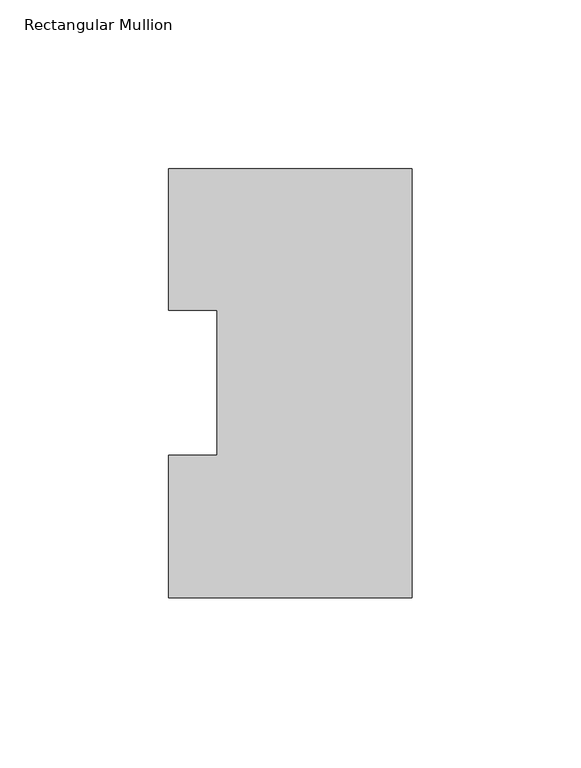
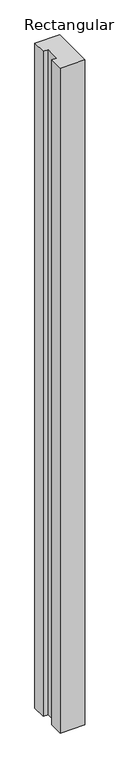
"""IFC4 building model written with IfcOpenShell, lengths in millimetres: member geometry, Rectangular Mullion."""

import ifcopenshell
import ifcopenshell.guid

model = None  # the IFC model being written
_history = None  # IfcOwnerHistory: only IFC2X3 demands one
_inside = {}  # id of a spatial element -> (the spatial element, [elements in it])
_under = {}  # id of a project, library or spatial element -> (it, [spatial elements below it])
_declared = {}  # id of a project -> (the project, [libraries it declares])
_typed = {}  # id of a type object -> (the type object, [elements of that type])
_made_of = {}  # id of a material, layer set ... -> (it, [elements and type objects made of it])


def new_model(schema):
    """Start an empty IFC model of exactly this schema.

    Asked for "IFC4X3", IfcOpenShell would pick the latest addendum, in which some entities
    have other attributes; the version numbers below select the first issue.
    IFC2X3 requires an IfcOwnerHistory on every rooted entity: one is made here for all.
    """
    global model, _history
    if schema == "IFC4X3":
        model = ifcopenshell.file(schema_version=(4, 3, 0, 0))
    else:
        model = ifcopenshell.file(schema=schema)
    _inside.clear()
    _under.clear()
    _declared.clear()
    _typed.clear()
    _made_of.clear()
    _history = None
    if model.schema == "IFC2X3":
        org = make("IfcOrganization", Name="unknown")
        user = make(
            "IfcPersonAndOrganization",
            ThePerson=make("IfcPerson", FamilyName="unknown"),
            TheOrganization=org,
        )
        app = make(
            "IfcApplication",
            ApplicationDeveloper=org,
            Version="unknown",
            ApplicationFullName="unknown",
            ApplicationIdentifier="unknown",
        )
        _history = make(
            "IfcOwnerHistory",
            OwningUser=user,
            OwningApplication=app,
            ChangeAction="ADDED",
            CreationDate=0,
        )
    return model


def make(cls, **values):
    """One entity of the class cls with the attributes given. An attribute that is None is left unset."""
    return model.create_entity(
        cls, **{name: value for name, value in values.items() if value is not None}
    )


def rooted(cls, **values):
    """An entity with a GlobalId (a new one), such as an element, a storey or a relation."""
    return make(cls, GlobalId=ifcopenshell.guid.new(), OwnerHistory=_history, **values)


def si_unit(unit_type, name, prefix=None):
    """IfcSIUnit, for example si_unit("LENGTHUNIT", "METRE", prefix="MILLI")."""
    return make("IfcSIUnit", UnitType=unit_type, Prefix=prefix, Name=name)


def assignment(units):
    """IfcUnitAssignment: the units of a project."""
    return None if units is None else make("IfcUnitAssignment", Units=units)


def point(xyz):
    """IfcCartesianPoint."""
    return None if xyz is None else make("IfcCartesianPoint", Coordinates=xyz)


def direction(xyz):
    """IfcDirection."""
    return None if xyz is None else make("IfcDirection", DirectionRatios=xyz)


def frame(location, z_axis=None, x_axis=None):
    """IfcAxis2Placement3D, a coordinate frame: its origin and axes. An axis left out is left unset."""
    return make(
        "IfcAxis2Placement3D",
        Location=point(location),
        Axis=direction(z_axis),
        RefDirection=direction(x_axis),
    )


def origin():
    """The frame at (0, 0, 0) with its axes left unset."""
    return frame((0.0, 0.0, 0.0))


def place(relative_to, where):
    """IfcLocalPlacement: puts the frame where relative to a parent placement (None: the world)."""
    return make(
        "IfcLocalPlacement", PlacementRelTo=relative_to, RelativePlacement=where
    )


def context(
    kind, dimensions, precision=None, world=None, true_north=None, identifier=None
):
    """IfcGeometricRepresentationContext, for example the 3D "Model" context."""
    return make(
        "IfcGeometricRepresentationContext",
        ContextIdentifier=identifier,
        ContextType=kind,
        CoordinateSpaceDimension=dimensions,
        Precision=precision,
        WorldCoordinateSystem=world,
        TrueNorth=true_north,
    )


def project(units=None, contexts=None):
    """IfcProject with its units and contexts."""
    return rooted(
        "IfcProject",
        Name="project",
        RepresentationContexts=contexts,
        UnitsInContext=assignment(units),
    )


def spatial(cls, under=None, at=None, **own):
    """A site, building, storey or space (cls), placed at a placement, below another one or the project."""
    s = rooted(cls, ObjectPlacement=at, **own)
    if under is not None:
        _under.setdefault(under.id(), (under, []))[1].append(s)
    return s


def polyline(points):
    """IfcPolyline through the points."""
    return make("IfcPolyline", Points=[point(p) for p in points])


def outline(outer, holes=None, kind="AREA"):
    """IfcArbitraryClosedProfileDef: a profile drawn as a closed curve; with holes, ...WithVoids."""
    if holes is None:
        return make("IfcArbitraryClosedProfileDef", ProfileType=kind, OuterCurve=outer)
    return make(
        "IfcArbitraryProfileDefWithVoids",
        ProfileType=kind,
        OuterCurve=outer,
        InnerCurves=holes,
    )


def extrude(swept, where, along, depth):
    """IfcExtrudedAreaSolid: the profile swept, set in the frame where, extruded along a direction by depth."""
    return make(
        "IfcExtrudedAreaSolid",
        SweptArea=swept,
        Position=where,
        ExtrudedDirection=direction(along),
        Depth=depth,
    )


def shape(context_of_items, identifier, shape_type, items):
    """IfcShapeRepresentation: the items that make up one representation, for example the "Body"."""
    return make(
        "IfcShapeRepresentation",
        ContextOfItems=context_of_items,
        RepresentationIdentifier=identifier,
        RepresentationType=shape_type,
        Items=items,
    )


def source(mapping_origin, context_of_items, identifier, shape_type, items):
    """IfcRepresentationMap: a shape defined once, which mapped items show again and again."""
    return make(
        "IfcRepresentationMap",
        MappingOrigin=mapping_origin,
        MappedRepresentation=shape(context_of_items, identifier, shape_type, items),
    )


def transform(
    local_origin,
    x_axis=None,
    y_axis=None,
    z_axis=None,
    scale=None,
    scale2=None,
    scale3=None,
    uniform=True,
):
    """IfcCartesianTransformationOperator3D, or its non-uniform kind. x_axis, y_axis, z_axis: its Axis1, 2, 3."""
    if uniform:
        return make(
            "IfcCartesianTransformationOperator3D",
            Axis1=direction(x_axis),
            Axis2=direction(y_axis),
            LocalOrigin=point(local_origin),
            Scale=scale,
            Axis3=direction(z_axis),
        )
    return make(
        "IfcCartesianTransformationOperator3DnonUniform",
        Axis1=direction(x_axis),
        Axis2=direction(y_axis),
        LocalOrigin=point(local_origin),
        Scale=scale,
        Axis3=direction(z_axis),
        Scale2=scale2,
        Scale3=scale3,
    )


def mapped(mapping_source, mapping_target):
    """IfcMappedItem: shows the shape of a source again, moved by a transform."""
    return make(
        "IfcMappedItem", MappingSource=mapping_source, MappingTarget=mapping_target
    )


def made_of(thing, what):
    """Note that an element or type object is made of a material, layer set ...; save() writes the relation."""
    if what is not None:
        _made_of.setdefault(what.id(), (what, []))[1].append(thing)
    return thing


def element(
    cls,
    number,
    at=None,
    inside=None,
    cuts=None,
    type_object=None,
    material=None,
    context=None,
    identifier="Body",
    shape_type=None,
    held_by="IfcProductDefinitionShape",
    body=None,
    shapes=None,
    **own,
):
    """One element of the class cls, such as IfcWall. Its Tag is "e" and its number.

    at: its placement. inside: the storey or other place that contains it. cuts: it is an
    opening in that element (IfcRelVoidsElement). A single representation is given by context,
    identifier, shape_type and body (its items); several are given by shapes. held_by: the class
    of the entity that holds the representations. save() writes the other relations.
    """
    e = rooted(cls, Tag="e%d" % number, ObjectPlacement=at, **own)
    if body is not None:
        shapes = [shape(context, identifier, shape_type, body)]
    if shapes is not None:
        e.Representation = make(held_by, Representations=shapes)
    if inside is not None:
        _inside.setdefault(inside.id(), (inside, []))[1].append(e)
    if cuts is not None:
        rooted(
            "IfcRelVoidsElement", RelatingBuildingElement=cuts, RelatedOpeningElement=e
        )
    if type_object is not None:
        _typed.setdefault(type_object.id(), (type_object, []))[1].append(e)
    return made_of(e, material)


def aggregate(whole, parts):
    """IfcRelAggregates: a whole, such as a stair, and the parts it consists of."""
    return rooted("IfcRelAggregates", RelatingObject=whole, RelatedObjects=parts)


def save(model, path):
    """Write the relations noted so far, then the file.

    IfcRelAggregates (storeys below a building ...), IfcRelContainedInSpatialStructure (elements
    in a storey), IfcRelDefinesByType, IfcRelAssociatesMaterial and IfcRelDeclares: one each for
    every whole, place, type object, material and project.
    """
    for whole, parts in _under.values():
        aggregate(whole, parts)
    for where, things in _inside.values():
        rooted(
            "IfcRelContainedInSpatialStructure",
            RelatedElements=things,
            RelatingStructure=where,
        )
    for kind, things in _typed.values():
        rooted("IfcRelDefinesByType", RelatedObjects=things, RelatingType=kind)
    for what, things in _made_of.values():
        rooted("IfcRelAssociatesMaterial", RelatedObjects=things, RelatingMaterial=what)
    for by, libraries in _declared.values():
        rooted("IfcRelDeclares", RelatingContext=by, RelatedDefinitions=libraries)
    model.write(path)


def rectangular_mullion_dfc83a68(model_context):
    return source(origin(), model_context, "Body", "SweptSolid", [
        extrude(outline(polyline([(-72.01462, 133.6365438), (0.0, 133.6365438), (0.0, 6.6365438), (-72.01462, 6.6365438), (-72.01462, 48.9275438), (-57.72712, 48.9275438), (-57.72712, 91.7773438), (-72.01462, 91.7773438), (-72.01462, 133.6365438)])), frame((0.0, 0.0, -2045.2989057), z_axis=(0.0, 0.0, 1.0), x_axis=(1.0, 0.0, 0.0)), (0.0, 0.0, 1.0), 2045.2989057),
    ])


if __name__ == "__main__":
    model = new_model("IFC4")
    model_context = context("Model", 3, world=origin())
    ifc_project = project(units=[si_unit("LENGTHUNIT", "METRE", prefix="MILLI")], contexts=[model_context])
    site = spatial("IfcSite", under=ifc_project)
    building = spatial("IfcBuilding", under=site)
    placement = place(None, origin())
    rectangular_mullion_shape = rectangular_mullion_dfc83a68(model_context)
    element("IfcMember", 1, ObjectType="Rectangular Mullion", at=placement, inside=building, context=model_context, shape_type="MappedRepresentation", body=[
        mapped(rectangular_mullion_shape, transform((0.0, 0.0, 0.0), x_axis=(1.0, 0.0, 0.0), y_axis=(0.0, 1.0, 0.0), z_axis=(0.0, 0.0, 1.0))),
    ])
    save(model, "model.ifc")
